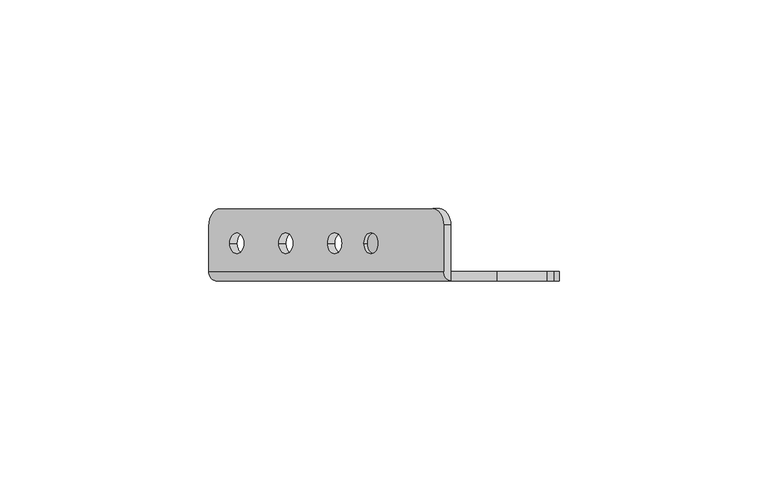
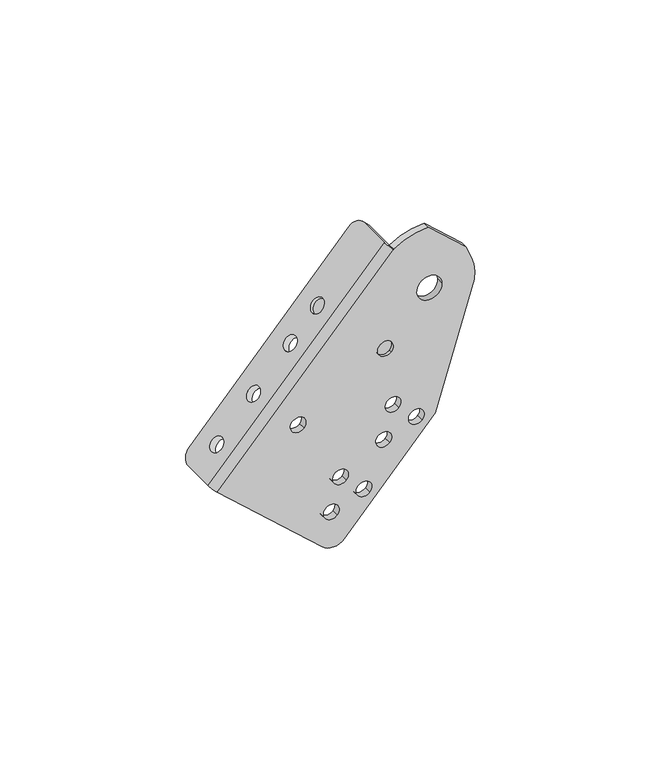
"""IFC4 building model written with IfcOpenShell, lengths in millimetres: proxy geometry."""

from ifc_helpers import new_model, si_unit, frame, origin, place, context, project, spatial, polyline, circle_curve, source, transform, mapped, element, save
from ifc_brep_helpers import plane_surface, cylinder_surface, revolved_surface, advanced_brep


def mechanical_equipment_4dd21c3d(model_context):
    return source(origin(), model_context, "Body", "AdvancedBrep", [
        advanced_brep(
        [(-35.7866547, 12.2834534, -3.8739673), (-38.4407914, 16.2499985, -6.8216848), (-89.3072574, 16.2499985, -63.3146184), (-91.9834475, 12.196215, -66.2868287), (-91.9834475, 1.2499985, -66.2868287), (-35.7764766, 1.2499985, -3.8626634), (-86.964968, 7.953236, -60.7132425), (-83.6193149, 7.953236, -56.9975184), (-75.2551824, 7.953236, -47.7082081), (-71.9095293, 7.953236, -43.9924839), (-63.5453967, 7.953236, -34.7031736), (-60.1997437, 7.953236, -30.9874495), (-54.8466989, 7.9499985, -25.0422909), (-51.5010458, 7.9499985, -21.3265667), (-90.2742144, 12.196215, -67.8258291), (-87.5980243, 16.1957184, -64.8536188), (-36.7315583, 16.2499985, -8.3606852), (-34.0774216, 12.2834534, -5.4129677), (-34.0672435, 1.2499985, -5.4016637), (-90.2742144, 1.2499985, -67.8258291), (-85.2557349, 7.953236, -62.2522429), (-81.9100818, 7.953236, -58.5365188), (-73.5459493, 7.953236, -49.2472084), (-70.2002962, 7.953236, -45.5314843), (-61.8361636, 7.953236, -36.242174), (-58.4905106, 7.953236, -32.5264499), (-49.7918127, 7.9499985, -22.8655671), (-53.1374658, 7.9499985, -26.5812913), (-34.0672435, -1.0500015, -5.4016637), (-56.8326973, 1.2499985, -97.9367064), (-56.8326973, -1.0500015, -97.9367064), (-90.2742144, -1.0500015, -67.8258291), (-54.103554, 7.9499985, -25.7114215), (-50.757901, 7.9499985, -21.9956974), (-49.7713201, -1.0500015, -97.5666353), (-20.7204326, -1.0500015, -65.302356), (-8.2682869, -1.0500015, -24.5732228), (-9.2639124, -1.0500015, -16.7792644), (-10.9822203, -1.0500015, -12.7311847), (-22.9971525, -1.0500015, -1.9128911), (-18.6167147, -1.0500015, -22.2355219), (-26.6057509, -1.0500015, -22.6542096), (-66.3607693, -1.0500015, -52.3526917), (-62.6450452, -1.0500015, -55.6983447), (-36.0723631, -1.0500015, -56.0759224), (-32.356639, -1.0500015, -59.4215754), (-28.6409148, -1.0500015, -62.7672285), (-24.9251907, -1.0500015, -66.1128815), (-39.047945, -1.0500015, -66.8530237), (-35.3322209, -1.0500015, -70.1986767), (-52.8006283, -1.0500015, -74.654543), (-49.0849041, -1.0500015, -78.0001961), (-45.36918, -1.0500015, -81.3458491), (-41.6534559, -1.0500015, -84.6915021), (-55.7762102, -1.0500015, -85.4316443), (-52.0604861, -1.0500015, -88.7772973), (-38.5208376, -1.0500015, -36.3780806), (-34.8051135, -1.0500015, -39.7237336), (-22.9971525, 1.2499985, -1.9128911), (-10.9822203, 1.2499985, -12.7311847), (-9.2639124, 1.2499985, -16.7792644), (-8.2682869, 1.2499985, -24.5732228), (-20.7204326, 1.2499985, -65.302356), (-49.7713201, 1.2499985, -97.5666353), (-18.6167147, 1.2499985, -22.2355219), (-26.6057509, 1.2499985, -22.6542096), (-66.3607693, 1.2499985, -52.3526917), (-62.6450452, 1.2499985, -55.6983447), (-36.0723631, 1.2499985, -56.0759224), (-32.356639, 1.2499985, -59.4215754), (-28.6409148, 1.2499985, -62.7672285), (-24.9251907, 1.2499985, -66.1128815), (-39.047945, 1.2499985, -66.8530237), (-35.3322209, 1.2499985, -70.1986767), (-52.8006283, 1.2499985, -74.654543), (-49.0849041, 1.2499985, -78.0001961), (-45.36918, 1.2499985, -81.3458491), (-41.6534559, 1.2499985, -84.6915021), (-55.7762102, 1.2499985, -85.4316443), (-52.0604861, 1.2499985, -88.7772973), (-34.1664017, 1.2499985, -37.9200672), (-38.5208376, 1.2499985, -36.3780806), (-39.1595494, 1.2499985, -38.181747), (-34.8051135, 1.2499985, -39.7237336), (-34.1664017, -0.0500015, -37.9200672), (-38.5208376, -0.0500015, -36.3780806), (-39.1595494, -0.0500015, -38.181747), (-34.8051135, -0.0500015, -39.7237336), (-34.1664017, 2.2499985, -37.9200672), (-39.1595494, 2.2499985, -38.181747), (-52.3943209, 7.9499985, -27.2504219), (-49.0486679, 7.9499985, -23.5346978)],
        [
            (0, 1, circle_curve(frame((-38.4407914, 12.2834534, -6.8216848), z_axis=(-0.7431448254773931, 0.0, 0.6691306063588596), x_axis=(-0.6691306063588596, 0.0, -0.7431448254773931)), 3.9665451)),
            (1, 2),
            (2, 3, circle_curve(frame((-89.3072574, 12.196215, -63.3146184), z_axis=(-0.7431448254773931, 0.0, 0.6691306063588596), x_axis=(-0.6691306063588596, 0.0, -0.7431448254773931)), 3.9995034)),
            (3, 4),
            (4, 5),
            (5, 0),
            (6, 7, circle_curve(frame((-85.2921414, 7.953236, -58.8553804), z_axis=(0.743144825477393, 0.0, -0.6691306063588596), x_axis=(0.6691306063588597, 0.0, 0.7431448254773931)), 2.5)),
            (7, 6, circle_curve(frame((-85.2921414, 7.953236, -58.8553804), z_axis=(0.743144825477393, 0.0, -0.6691306063588596), x_axis=(0.6691306063588597, 0.0, 0.7431448254773931)), 2.5)),
            (8, 9, circle_curve(frame((-73.5823558, 7.953236, -45.850346), z_axis=(0.743144825477393, 0.0, -0.6691306063588596), x_axis=(0.6691306063588597, 0.0, 0.7431448254773931)), 2.5)),
            (9, 8, circle_curve(frame((-73.5823558, 7.953236, -45.850346), z_axis=(0.743144825477393, 0.0, -0.6691306063588596), x_axis=(0.6691306063588597, 0.0, 0.7431448254773931)), 2.5)),
            (10, 11, circle_curve(frame((-61.8725702, 7.953236, -32.8453115), z_axis=(0.743144825477393, 0.0, -0.6691306063588596), x_axis=(0.6691306063588597, 0.0, 0.7431448254773931)), 2.5)),
            (11, 10, circle_curve(frame((-61.8725702, 7.953236, -32.8453115), z_axis=(0.743144825477393, 0.0, -0.6691306063588596), x_axis=(0.6691306063588597, 0.0, 0.7431448254773931)), 2.5)),
            (12, 13, circle_curve(frame((-53.1738723, 7.9499985, -23.1844288), z_axis=(0.743144825477393, 0.0, -0.6691306063588596), x_axis=(0.6691306063588597, 0.0, 0.7431448254773931)), 2.5)),
            (13, 12, circle_curve(frame((-53.1738723, 7.9499985, -23.1844288), z_axis=(0.743144825477393, 0.0, -0.6691306063588596), x_axis=(0.6691306063588597, 0.0, 0.7431448254773931)), 2.5)),
            (14, 15, circle_curve(frame((-87.5980243, 12.196215, -64.8536188), z_axis=(0.7431448254773931, 0.0, -0.6691306063588596), x_axis=(-0.6691306063588596, 0.0, -0.7431448254773931)), 3.9995034)),
            (15, 16),
            (16, 17, circle_curve(frame((-36.7315583, 12.2834534, -8.3606852), z_axis=(0.7431448254773931, 0.0, -0.6691306063588596), x_axis=(-0.6691306063588596, 0.0, -0.7431448254773931)), 3.9665451)),
            (17, 18),
            (18, 19),
            (19, 14),
            (20, 21, circle_curve(frame((-83.5829083, 7.953236, -60.3943808), z_axis=(-0.743144825477393, 0.0, 0.6691306063588596), x_axis=(0.6691306063588597, 0.0, 0.7431448254773931)), 2.5)),
            (21, 20, circle_curve(frame((-83.5829083, 7.953236, -60.3943808), z_axis=(-0.743144825477393, 0.0, 0.6691306063588596), x_axis=(0.6691306063588597, 0.0, 0.7431448254773931)), 2.5)),
            (22, 23, circle_curve(frame((-71.8731227, 7.953236, -47.3893464), z_axis=(-0.743144825477393, 0.0, 0.6691306063588596), x_axis=(0.6691306063588597, 0.0, 0.7431448254773931)), 2.5)),
            (23, 22, circle_curve(frame((-71.8731227, 7.953236, -47.3893464), z_axis=(-0.743144825477393, 0.0, 0.6691306063588596), x_axis=(0.6691306063588597, 0.0, 0.7431448254773931)), 2.5)),
            (24, 25, circle_curve(frame((-60.1633371, 7.953236, -34.3843119), z_axis=(-0.743144825477393, 0.0, 0.6691306063588596), x_axis=(0.6691306063588597, 0.0, 0.7431448254773931)), 2.5)),
            (25, 24, circle_curve(frame((-60.1633371, 7.953236, -34.3843119), z_axis=(-0.743144825477393, 0.0, 0.6691306063588596), x_axis=(0.6691306063588597, 0.0, 0.7431448254773931)), 2.5)),
            (26, 27, circle_curve(frame((-51.4646392, 7.9499985, -24.7234292), z_axis=(-0.7431448254773938, 0.0, 0.6691306063588589), x_axis=(0.6691306063588589, 0.0, 0.7431448254773938)), 2.5)),
            (27, 26, circle_curve(frame((-51.4646392, 7.9499985, -24.7234292), z_axis=(-0.7431448254773938, 0.0, 0.6691306063588589), x_axis=(0.6691306063588589, 0.0, 0.7431448254773938)), 2.5)),
            (17, 0),
            (5, 28, circle_curve(frame((-34.0672435, 1.2499985, -5.4016637), z_axis=(0.6691306063588596, 0.0, 0.7431448254773932), x_axis=(0.0, -1.0, 0.0)), 2.3)),
            (28, 18),
            (16, 1),
            (15, 2),
            (14, 3),
            (19, 29),
            (29, 30),
            (30, 31),
            (31, 4, circle_curve(frame((-90.2742144, 1.2499985, -67.8258291), z_axis=(-0.6691306063588596, 0.0, -0.7431448254773932), x_axis=(0.0, -1.0, 0.0)), 2.3)),
            (6, 20),
            (21, 7),
            (8, 22),
            (23, 9),
            (10, 24),
            (25, 11),
            (12, 32),
            (32, 33, circle_curve(frame((-52.4307275, 7.9499985, -23.8535594), z_axis=(0.743144825477393, 0.0, -0.6691306063588596), x_axis=(0.6691306063588597, 0.0, 0.7431448254773931)), 2.5)),
            (33, 13),
            (33, 32, circle_curve(frame((-52.4307275, 7.9499985, -23.8535594), z_axis=(0.743144825477393, 0.0, -0.6691306063588596), x_axis=(0.6691306063588597, 0.0, 0.7431448254773931)), 2.5)),
            (30, 34, circle_curve(frame((-53.4870442, -1.0500015, -94.2209822), z_axis=(0.0, -1.0, 0.0), x_axis=(0.9986295347545742, 0.0, 0.052335956242940795)), 5.0)),
            (34, 35),
            (35, 36),
            (36, 37, circle_curve(frame((-22.6112328, -1.0500015, -22.4448657), z_axis=(0.0, -1.0, 0.0), x_axis=(0.9986295347545742, 0.0, 0.052335956242940795)), 14.5)),
            (37, 38),
            (38, 39),
            (39, 28, circle_curve(frame((-22.6112328, -1.0500015, -22.4448657), z_axis=(0.0, -1.0, 0.0), x_axis=(0.9986295347545742, 0.0, 0.052335956242940795)), 20.5356012)),
            (28, 31),
            (40, 41, circle_curve(frame((-22.6112328, -1.0500015, -22.4448657), z_axis=(0.0, 1.0, 0.0), x_axis=(0.9986295347545742, 0.0, 0.052335956242940795)), 4.0)),
            (41, 40, circle_curve(frame((-22.6112328, -1.0500015, -22.4448657), z_axis=(0.0, 1.0, 0.0), x_axis=(0.9986295347545742, 0.0, 0.052335956242940795)), 4.0)),
            (42, 43, circle_curve(frame((-64.5029073, -1.0500015, -54.0255182), z_axis=(0.0, 1.0, 0.0), x_axis=(0.7431448254773938, 0.0, -0.6691306063588589)), 2.5)),
            (43, 42, circle_curve(frame((-64.5029073, -1.0500015, -54.0255182), z_axis=(0.0, 1.0, 0.0), x_axis=(0.7431448254773938, 0.0, -0.6691306063588589)), 2.5)),
            (44, 45, circle_curve(frame((-34.214501, -1.0500015, -57.7487489), z_axis=(0.0, 1.0, 0.0), x_axis=(0.7431448254773938, 0.0, -0.6691306063588589)), 2.5)),
            (45, 44, circle_curve(frame((-34.214501, -1.0500015, -57.7487489), z_axis=(0.0, 1.0, 0.0), x_axis=(0.7431448254773938, 0.0, -0.6691306063588589)), 2.5)),
            (46, 47, circle_curve(frame((-26.7830528, -1.0500015, -64.440055), z_axis=(0.0, 1.0, 0.0), x_axis=(0.7431448254773938, 0.0, -0.6691306063588589)), 2.5)),
            (47, 46, circle_curve(frame((-26.7830528, -1.0500015, -64.440055), z_axis=(0.0, 1.0, 0.0), x_axis=(0.7431448254773938, 0.0, -0.6691306063588589)), 2.5)),
            (48, 49, circle_curve(frame((-37.190083, -1.0500015, -68.5258502), z_axis=(0.0, 1.0, 0.0), x_axis=(0.7431448254773938, 0.0, -0.6691306063588589)), 2.5)),
            (49, 48, circle_curve(frame((-37.190083, -1.0500015, -68.5258502), z_axis=(0.0, 1.0, 0.0), x_axis=(0.7431448254773938, 0.0, -0.6691306063588589)), 2.5)),
            (50, 51, circle_curve(frame((-50.9427662, -1.0500015, -76.3273695), z_axis=(0.0, 1.0, 0.0), x_axis=(0.7431448254773938, 0.0, -0.6691306063588589)), 2.5)),
            (51, 50, circle_curve(frame((-50.9427662, -1.0500015, -76.3273695), z_axis=(0.0, 1.0, 0.0), x_axis=(0.7431448254773938, 0.0, -0.6691306063588589)), 2.5)),
            (52, 53, circle_curve(frame((-43.5113179, -1.0500015, -83.0186756), z_axis=(0.0, 1.0, 0.0), x_axis=(0.7431448254773938, 0.0, -0.6691306063588589)), 2.5)),
            (53, 52, circle_curve(frame((-43.5113179, -1.0500015, -83.0186756), z_axis=(0.0, 1.0, 0.0), x_axis=(0.7431448254773938, 0.0, -0.6691306063588589)), 2.5)),
            (54, 55, circle_curve(frame((-53.9183481, -1.0500015, -87.1044708), z_axis=(0.0, 1.0, 0.0), x_axis=(0.7431448254773938, 0.0, -0.6691306063588589)), 2.5)),
            (55, 54, circle_curve(frame((-53.9183481, -1.0500015, -87.1044708), z_axis=(0.0, 1.0, 0.0), x_axis=(0.7431448254773938, 0.0, -0.6691306063588589)), 2.5)),
            (56, 57, circle_curve(frame((-36.6629755, -1.0500015, -38.0509071), z_axis=(0.0, 1.0, 0.0), x_axis=(0.7431448254773938, 0.0, -0.6691306063588589)), 2.5)),
            (57, 56, circle_curve(frame((-36.6629755, -1.0500015, -38.0509071), z_axis=(0.0, 1.0, 0.0), x_axis=(0.7431448254773938, 0.0, -0.6691306063588589)), 2.5)),
            (18, 58, circle_curve(frame((-22.6112328, 1.2499985, -22.4448657), z_axis=(0.0, 1.0, 0.0), x_axis=(0.9986295347545742, 0.0, 0.052335956242940795)), 20.5356012)),
            (58, 59),
            (59, 60),
            (60, 61, circle_curve(frame((-22.6112328, 1.2499985, -22.4448657), z_axis=(0.0, 1.0, 0.0), x_axis=(0.9986295347545742, 0.0, 0.052335956242940795)), 14.5)),
            (61, 62),
            (62, 63),
            (63, 29, circle_curve(frame((-53.4870442, 1.2499985, -94.2209822), z_axis=(0.0, 1.0, 0.0), x_axis=(0.9986295347545742, 0.0, 0.052335956242940795)), 5.0)),
            (64, 65, circle_curve(frame((-22.6112328, 1.2499985, -22.4448657), z_axis=(0.0, -1.0, 0.0), x_axis=(0.9986295347545742, 0.0, 0.052335956242940795)), 4.0)),
            (65, 64, circle_curve(frame((-22.6112328, 1.2499985, -22.4448657), z_axis=(0.0, -1.0, 0.0), x_axis=(0.9986295347545742, 0.0, 0.052335956242940795)), 4.0)),
            (66, 67, circle_curve(frame((-64.5029073, 1.2499985, -54.0255182), z_axis=(0.0, -1.0, 0.0), x_axis=(0.7431448254773938, 0.0, -0.6691306063588589)), 2.5)),
            (67, 66, circle_curve(frame((-64.5029073, 1.2499985, -54.0255182), z_axis=(0.0, -1.0, 0.0), x_axis=(0.7431448254773938, 0.0, -0.6691306063588589)), 2.5)),
            (68, 69, circle_curve(frame((-34.214501, 1.2499985, -57.7487489), z_axis=(0.0, -1.0, 0.0), x_axis=(0.7431448254773938, 0.0, -0.6691306063588589)), 2.5)),
            (69, 68, circle_curve(frame((-34.214501, 1.2499985, -57.7487489), z_axis=(0.0, -1.0, 0.0), x_axis=(0.7431448254773938, 0.0, -0.6691306063588589)), 2.5)),
            (70, 71, circle_curve(frame((-26.7830528, 1.2499985, -64.440055), z_axis=(0.0, -1.0, 0.0), x_axis=(0.7431448254773938, 0.0, -0.6691306063588589)), 2.5)),
            (71, 70, circle_curve(frame((-26.7830528, 1.2499985, -64.440055), z_axis=(0.0, -1.0, 0.0), x_axis=(0.7431448254773938, 0.0, -0.6691306063588589)), 2.5)),
            (72, 73, circle_curve(frame((-37.190083, 1.2499985, -68.5258502), z_axis=(0.0, -1.0, 0.0), x_axis=(0.7431448254773938, 0.0, -0.6691306063588589)), 2.5)),
            (73, 72, circle_curve(frame((-37.190083, 1.2499985, -68.5258502), z_axis=(0.0, -1.0, 0.0), x_axis=(0.7431448254773938, 0.0, -0.6691306063588589)), 2.5)),
            (74, 75, circle_curve(frame((-50.9427662, 1.2499985, -76.3273695), z_axis=(0.0, -1.0, 0.0), x_axis=(0.7431448254773938, 0.0, -0.6691306063588589)), 2.5)),
            (75, 74, circle_curve(frame((-50.9427662, 1.2499985, -76.3273695), z_axis=(0.0, -1.0, 0.0), x_axis=(0.7431448254773938, 0.0, -0.6691306063588589)), 2.5)),
            (76, 77, circle_curve(frame((-43.5113179, 1.2499985, -83.0186756), z_axis=(0.0, -1.0, 0.0), x_axis=(0.7431448254773938, 0.0, -0.6691306063588589)), 2.5)),
            (77, 76, circle_curve(frame((-43.5113179, 1.2499985, -83.0186756), z_axis=(0.0, -1.0, 0.0), x_axis=(0.7431448254773938, 0.0, -0.6691306063588589)), 2.5)),
            (78, 79, circle_curve(frame((-53.9183481, 1.2499985, -87.1044708), z_axis=(0.0, -1.0, 0.0), x_axis=(0.7431448254773938, 0.0, -0.6691306063588589)), 2.5)),
            (79, 78, circle_curve(frame((-53.9183481, 1.2499985, -87.1044708), z_axis=(0.0, -1.0, 0.0), x_axis=(0.7431448254773938, 0.0, -0.6691306063588589)), 2.5)),
            (80, 81, circle_curve(frame((-36.6629755, 1.2499985, -38.0509071), z_axis=(0.0, -1.0, 0.0), x_axis=(0.9986295347545742, 0.0, 0.052335956242940795)), 2.5)),
            (81, 82, circle_curve(frame((-36.6629755, 1.2499985, -38.0509071), z_axis=(0.0, -1.0, 0.0), x_axis=(0.9986295347545742, 0.0, 0.052335956242940795)), 2.5)),
            (82, 83, circle_curve(frame((-36.6629755, 1.2499985, -38.0509071), z_axis=(0.0, -1.0, 0.0), x_axis=(0.9986295347545742, 0.0, 0.052335956242940795)), 2.5)),
            (83, 80, circle_curve(frame((-36.6629755, 1.2499985, -38.0509071), z_axis=(0.0, -1.0, 0.0), x_axis=(0.9986295347545742, 0.0, 0.052335956242940795)), 2.5)),
            (63, 34),
            (62, 35),
            (61, 36),
            (60, 37),
            (59, 38),
            (58, 39),
            (40, 64),
            (65, 41),
            (84, 85, circle_curve(frame((-36.6629755, -0.0500015, -38.0509071), z_axis=(0.0, -1.0, 0.0), x_axis=(0.7431448254773938, 0.0, -0.6691306063588589)), 2.5)),
            (85, 86, circle_curve(frame((-36.6629755, -0.0500015, -38.0509071), z_axis=(0.0, -1.0, 0.0), x_axis=(0.7431448254773938, 0.0, -0.6691306063588589)), 2.5)),
            (86, 87, circle_curve(frame((-36.6629755, -0.0500015, -38.0509071), z_axis=(0.0, -1.0, 0.0), x_axis=(0.7431448254773938, 0.0, -0.6691306063588589)), 2.5)),
            (87, 84, circle_curve(frame((-36.6629755, -0.0500015, -38.0509071), z_axis=(0.0, -1.0, 0.0), x_axis=(0.7431448254773938, 0.0, -0.6691306063588589)), 2.5)),
            (88, 89, circle_curve(frame((-36.6629755, 2.2499985, -38.0509071), z_axis=(0.0, 1.0, 0.0), x_axis=(0.9986295347545742, 0.0, 0.052335956242940795)), 2.5)),
            (89, 88, circle_curve(frame((-36.6629755, 2.2499985, -38.0509071), z_axis=(0.0, 1.0, 0.0), x_axis=(0.9986295347545742, 0.0, 0.052335956242940795)), 2.5)),
            (89, 82),
            (80, 88),
            (90, 91, circle_curve(frame((-50.7214944, 7.9499985, -25.3925598), z_axis=(0.7431448254773938, 0.0, -0.6691306063588589), x_axis=(0.6691306063588589, 0.0, 0.7431448254773938)), 2.5)),
            (91, 90, circle_curve(frame((-50.7214944, 7.9499985, -25.3925598), z_axis=(0.7431448254773938, 0.0, -0.6691306063588589), x_axis=(0.6691306063588589, 0.0, 0.7431448254773938)), 2.5)),
            (90, 27),
            (26, 91),
            (42, 66),
            (67, 43),
            (44, 68),
            (69, 45),
            (46, 70),
            (71, 47),
            (48, 72),
            (73, 49),
            (50, 74),
            (75, 51),
            (52, 76),
            (77, 53),
            (54, 78),
            (79, 55),
            (56, 85),
            (87, 57),
        ],
        [
            plane_surface(frame((-35.7764766, -1.0593878, -3.8626634), z_axis=(-0.743144825477393, 0.0, 0.6691306063588596), x_axis=(0.0, 1.0, 0.0))),
            plane_surface(frame((-34.0672435, -1.0593878, -5.4016637), z_axis=(0.743144825477393, 0.0, -0.6691306063588596), x_axis=(0.0, -1.0, 0.0))),
            plane_surface(frame((-35.7764766, -1.0500015, -3.8626634), z_axis=(0.6691306063588596, 0.0, 0.7431448254773931), x_axis=(0.7431448254773931, 0.0, -0.6691306063588596))),
            cylinder_surface(frame((-36.7315583, 12.2834534, -8.3606852), z_axis=(-0.7431448254773931, 0.0, 0.6691306063588596), x_axis=(-0.6691306063588596, 0.0, -0.7431448254773931)), 3.9665451),
            plane_surface(frame((-38.4407914, 16.2499985, -6.8216848), z_axis=(0.0, 1.0000000000000002, 0.0), x_axis=(0.7431448254773931, 0.0, -0.6691306063588596))),
            cylinder_surface(frame((-87.5980243, 12.196215, -64.8536188), z_axis=(-0.7431448254773931, 0.0, 0.6691306063588596), x_axis=(-0.6691306063588596, 0.0, -0.7431448254773931)), 3.9995034),
            plane_surface(frame((-91.9834475, 12.196215, -66.2868287), z_axis=(-0.6691306063588589, 0.0, -0.7431448254773938), x_axis=(0.7431448254773938, 0.0, -0.6691306063588589))),
            revolved_surface(polyline([(-81.91008176121, 7.953236, -58.536518756919335), (-83.61931491454091, 7.953236, -56.997518313012236)]), (-83.5829083, 7.953236, -60.3943808), (0.7431448254773931, 0.0, -0.6691306063588597)),
            revolved_surface(polyline([(-70.20029618410285, 7.953236, -45.53148433630652), (-71.9095293145409, 7.953236, -43.99248391301224)]), (-71.8731227, 7.953236, -47.3893464), (0.7431448254773931, 0.0, -0.6691306063588597)),
            revolved_surface(polyline([(-58.49051055726961, 7.953236, -32.526449860467274), (-60.19974368614771, 7.953236, -30.987449438577574)]), (-60.1633371, 7.953236, -34.3843119), (0.7431448254773931, 0.0, -0.6691306063588597)),
            revolved_surface(polyline([(-50.75790095106935, 7.9499985, -21.99569735358119), (-51.5010458145409, 7.9499985, -21.326566713012237)]), (-51.4646392, 7.9499985, -24.7234292), (0.7431448254773931, 0.0, -0.6691306063588597)),
            plane_surface(frame((-90.2742144, -1.0500015, -67.8258291), z_axis=(0.0, -1.0, 0.0), x_axis=(-0.6691306063588596, 0.0, -0.743144825477393))),
            plane_surface(frame((-90.2742144, 1.2499985, -67.8258291), z_axis=(0.0, 1.0, 0.0), x_axis=(0.6691306063588596, 0.0, 0.743144825477393))),
            cylinder_surface(frame((-53.4870442, 1.2499985, -94.2209822), z_axis=(0.0, -1.0, 0.0), x_axis=(0.9986295347545742, 0.0, 0.052335956242940795)), 5.0),
            plane_surface(frame((-49.7713201, -1.0500015, -97.5666353), z_axis=(0.7431448254773894, 0.0, -0.6691306063588638), x_axis=(0.0, 1.0, 0.0))),
            plane_surface(frame((-20.7204326, -1.0500015, -65.302356), z_axis=(0.9563047559630358, 0.0, -0.2923717047227364), x_axis=(0.0, 1.0, 0.0))),
            cylinder_surface(frame((-22.6112328, 1.2499985, -22.4448657), z_axis=(0.0, -1.0, 0.0), x_axis=(0.9986295347545742, 0.0, 0.052335956242940795)), 14.5),
            plane_surface(frame((-9.2639124, -1.0500015, -16.7792644), z_axis=(0.9205048534524722, 0.0, 0.39073112848919883), x_axis=(0.0, 1.0, 0.0))),
            plane_surface(frame((-10.9822203, -1.0500015, -12.7311847), z_axis=(0.6691306063588568, 0.0, 0.7431448254773957), x_axis=(0.0, 1.0, 0.0))),
            cylinder_surface(frame((-22.6112328, 1.2499985, -22.4448657), z_axis=(0.0, -1.0, 0.0), x_axis=(0.9986295347545742, 0.0, 0.052335956242940795)), 20.5356012),
            revolved_surface(polyline([(-18.616714660981703, 1.2499985, -22.235521875028237), (-18.616714660981703, -1.0500014999999998, -22.235521875028237)]), (-22.6112328, 1.2499985, -22.4448657), (0.0, 1.0, 0.0)),
            plane_surface(frame((-34.1664017, -0.0500015, -37.9200672), z_axis=(0.0, -1.0000000000000002, 0.0), x_axis=(-0.052335956242940795, 0.0, 0.9986295347545742))),
            plane_surface(frame((-34.1664017, 2.2499985, -37.9200672), z_axis=(0.0, 1.0000000000000002, 0.0), x_axis=(0.052335956242940795, 0.0, -0.9986295347545742))),
            cylinder_surface(frame((-36.6629755, 2.2499985, -38.0509071), z_axis=(0.0, -1.0, 0.0), x_axis=(0.9986295347545742, 0.0, 0.052335956242940795)), 2.5),
            plane_surface(frame((-49.0486679, 7.9499985, -23.5346978), z_axis=(0.7431448254773938, 0.0, -0.6691306063588589), x_axis=(0.0, -1.0, 0.0))),
            plane_surface(frame((-50.757901, 7.9499985, -21.9956974), z_axis=(-0.7431448254773938, 0.0, 0.6691306063588589), x_axis=(0.0, 1.0, 0.0))),
            cylinder_surface(frame((-52.4307275, 7.9499985, -23.8535594), z_axis=(0.7431448254773938, 0.0, -0.6691306063588589), x_axis=(0.6691306063588589, 0.0, 0.7431448254773938)), 2.5),
            cylinder_surface(frame((-90.2742144, 1.2499985, -67.8258291), z_axis=(0.6691306063588596, 0.0, 0.7431448254773932), x_axis=(0.0, -1.0, 0.0)), 2.3),
            revolved_surface(polyline([(-62.64504523630652, 1.2499985, -55.69834471589715), (-62.64504523630652, -1.0500014999999998, -55.69834471589715)]), (-64.5029073, 1.2499985, -54.0255182), (0.0, 1.0, 0.0)),
            revolved_surface(polyline([(-32.35663893630652, 1.2499985, -59.42157541589715), (-32.35663893630652, -1.0500014999999998, -59.42157541589715)]), (-34.214501, 1.2499985, -57.7487489), (0.0, 1.0, 0.0)),
            revolved_surface(polyline([(-24.925190736306515, 1.2499985, -66.11288151589714), (-24.925190736306515, -1.0500014999999998, -66.11288151589714)]), (-26.7830528, 1.2499985, -64.440055), (0.0, 1.0, 0.0)),
            revolved_surface(polyline([(-35.33222093630652, 1.2499985, -70.19867671589714), (-35.33222093630652, -1.0500014999999998, -70.19867671589714)]), (-37.190083, 1.2499985, -68.5258502), (0.0, 1.0, 0.0)),
            revolved_surface(polyline([(-49.08490413630652, 1.2499985, -78.00019601589715), (-49.08490413630652, -1.0500014999999998, -78.00019601589715)]), (-50.9427662, 1.2499985, -76.3273695), (0.0, 1.0, 0.0)),
            revolved_surface(polyline([(-41.65345583630652, 1.2499985, -84.69150211589714), (-41.65345583630652, -1.0500014999999998, -84.69150211589714)]), (-43.5113179, 1.2499985, -83.0186756), (0.0, 1.0, 0.0)),
            revolved_surface(polyline([(-52.06048603630652, 1.2499985, -88.77729731589714), (-52.06048603630652, -1.0500014999999998, -88.77729731589714)]), (-53.9183481, 1.2499985, -87.1044708), (0.0, 1.0, 0.0)),
            revolved_surface(polyline([(-34.80511343630652, -0.05000150000000003, -39.72373361589715), (-34.80511343630652, -1.0500014999999998, -39.72373361589715)]), (-36.6629755, 1.2499985, -38.0509071), (0.0, 1.0, 0.0)),
        ],
        [
            (0, [[1, 2, 3, 4, 5, 6], [7, 8], [9, 10], [11, 12], [13, 14]]),
            (1, [[15, 16, 17, 18, 19, 20], [21, 22], [23, 24], [25, 26], [27, 28]]),
            (2, [[29, -6, 30, 31, -18]]),
            (3, [[-1, -29, -17, 32]]),
            (4, [[-2, -32, -16, 33]]),
            (5, [[-3, -33, -15, 34]]),
            (6, [[-34, -20, 35, 36, 37, 38, -4]]),
            (7, [[-7, 39, -22, 40]]),
            (7, [[-8, -40, -21, -39]]),
            (8, [[-9, 41, -24, 42]]),
            (8, [[-10, -42, -23, -41]]),
            (9, [[-11, 43, -26, 44]]),
            (9, [[-12, -44, -25, -43]]),
            (10, [[-13, 45, 46, 47]]),
            (10, [[-14, -47, 48, -45]]),
            (11, [[-37, 49, 50, 51, 52, 53, 54, 55, 56], [57, 58], [59, 60], [61, 62], [63, 64], [65, 66], [67, 68], [69, 70], [71, 72], [73, 74]]),
            (12, [[75, 76, 77, 78, 79, 80, 81, -35, -19], [82, 83], [84, 85], [86, 87], [88, 89], [90, 91], [92, 93], [94, 95], [96, 97], [98, 99, 100, 101]]),
            (13, [[-49, -36, -81, 102]]),
            (14, [[-50, -102, -80, 103]]),
            (15, [[-51, -103, -79, 104]]),
            (16, [[-52, -104, -78, 105]]),
            (17, [[-53, -105, -77, 106]]),
            (18, [[-54, -106, -76, 107]]),
            (19, [[-55, -107, -75, -31]]),
            (20, [[-57, 108, -83, 109]]),
            (20, [[-58, -109, -82, -108]]),
            (21, [[110, 111, 112, 113]]),
            (22, [[114, 115]]),
            (23, [[-115, 116, -99, -98, 117]]),
            (23, [[-114, -117, -101, -100, -116]]),
            (24, [[118, 119]]),
            (25, [[-46, -48]]),
            (26, [[-118, 120, -27, 121]]),
            (26, [[-119, -121, -28, -120]]),
            (27, [[-5, -38, -56, -30]]),
            (28, [[-59, 122, -85, 123]]),
            (28, [[-60, -123, -84, -122]]),
            (29, [[-61, 124, -87, 125]]),
            (29, [[-62, -125, -86, -124]]),
            (30, [[-63, 126, -89, 127]]),
            (30, [[-64, -127, -88, -126]]),
            (31, [[-65, 128, -91, 129]]),
            (31, [[-66, -129, -90, -128]]),
            (32, [[-67, 130, -93, 131]]),
            (32, [[-68, -131, -92, -130]]),
            (33, [[-69, 132, -95, 133]]),
            (33, [[-70, -133, -94, -132]]),
            (34, [[-71, 134, -97, 135]]),
            (34, [[-72, -135, -96, -134]]),
            (35, [[-73, 136, -110, -113, 137]]),
            (35, [[-74, -137, -112, -111, -136]]),
        ],
    ),
    ])


if __name__ == "__main__":
    model = new_model("IFC4")
    model_context = context("Model", 3, world=origin())
    ifc_project = project(units=[si_unit("LENGTHUNIT", "METRE", prefix="MILLI")], contexts=[model_context])
    site = spatial("IfcSite", under=ifc_project)
    building = spatial("IfcBuilding", under=site)
    placement = place(None, origin())
    mechanical_equipment_shape = mechanical_equipment_4dd21c3d(model_context)
    element("IfcBuildingElementProxy", 1, Name="Mechanical Equipment", at=placement, inside=building, context=model_context, shape_type="MappedRepresentation", body=[
        mapped(mechanical_equipment_shape, transform((0.0, 0.0, 0.0), x_axis=(1.0, 0.0, 0.0), y_axis=(0.0, 1.0, 0.0), z_axis=(0.0, 0.0, 1.0))),
    ])
    save(model, "model.ifc")
